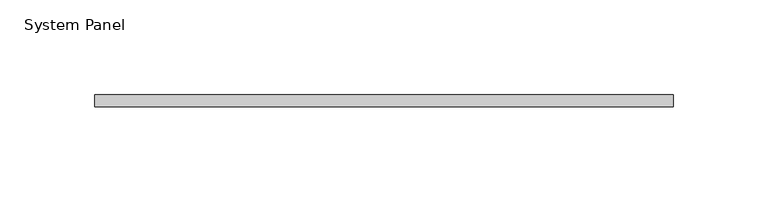
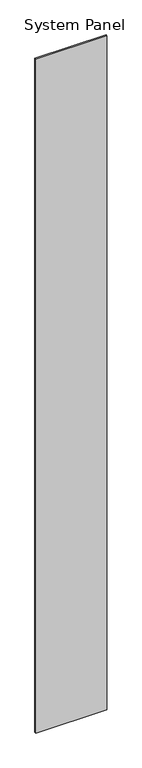
"""IFC4 building model written with IfcOpenShell, lengths in millimetres: plate geometry, System Panel."""

from ifc_helpers import new_model, si_unit, origin, origin_with_axes, place, context, project, spatial, polyline, outline, extrude, source, transform, mapped, element, save


def system_panel_42000af2(model_context):
    return source(origin(), model_context, "Body", "SweptSolid", [
        extrude(outline(polyline([(152.3987818, 0.0), (-152.3987818, 0.0), (-152.3987818, 6.35), (152.3987818, 6.35), (152.3987818, 0.0)])), origin_with_axes(), (0.0, 0.0, 1.0), 3048.0),
    ])


if __name__ == "__main__":
    model = new_model("IFC4")
    model_context = context("Model", 3, world=origin())
    ifc_project = project(units=[si_unit("LENGTHUNIT", "METRE", prefix="MILLI")], contexts=[model_context])
    site = spatial("IfcSite", under=ifc_project)
    building = spatial("IfcBuilding", under=site)
    placement = place(None, origin())
    system_panel_shape = system_panel_42000af2(model_context)
    element("IfcPlate", 1, ObjectType="System Panel", at=placement, inside=building, context=model_context, shape_type="MappedRepresentation", body=[
        mapped(system_panel_shape, transform((0.0, 0.0, 0.0), x_axis=(1.0, 0.0, 0.0), y_axis=(0.0, 1.0, 0.0), z_axis=(0.0, 0.0, 1.0))),
    ])
    save(model, "model.ifc")
